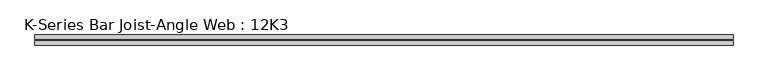
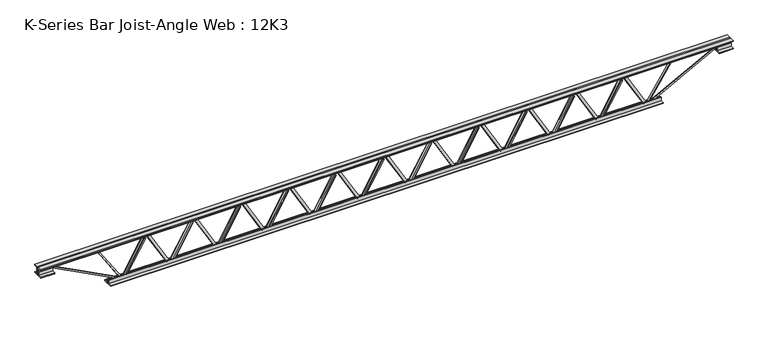
"""IFC4 building model written with IfcOpenShell, lengths in millimetres: beam geometry, K-Series Bar Joist-Angle Web : 12K3."""

from ifc_helpers import new_model, si_unit, frame, origin, place, context, project, spatial, polyline, outline, extrude, faceted_brep, source, transform, mapped, element, save


def k_series_bar_joist_angle_web_12k3_d4153218(model_context):
    return source(origin(), model_context, "Body", "SolidModel", [
        extrude(outline(polyline([(-4.7625, 4.7625), (-4.7625, 0.0), (-17.4625, 0.0), (-17.4625, 4.7625), (-4.7625, 4.7625)])), frame((1528.6309951, 0.0, -114.3), z_axis=(-0.498403815712741, 0.0, 0.866945001994348), x_axis=(0.0, -1.0, 0.0)), (0.0, 0.0, 1.0), 263.6845469),
        extrude(outline(polyline([(-149.225, 1560.5702273), (-130.175, 1560.5702273), (-130.175, 1559.7311924), (149.225, 1399.105056), (149.225, 1380.8940909), (130.175, 1380.8940909), (130.175, 1388.0831258), (-149.225, 1548.7092622), (-149.225, 1560.5702273)])), frame((0.0, 0.0, 0.0), z_axis=(0.0, 1.0, 0.0), x_axis=(0.0, 0.0, 1.0)), (0.0, 0.0, 1.0), 4.7625),
        faceted_brep([(1213.9179545, 0.0, -130.175), (1213.9179545, 0.0, -149.225), (1213.9179545, -4.7625, -149.225), (1213.9179545, -4.7625, -130.175), (1214.7569894, 0.0, -130.175), (1375.3831258, 0.0, 149.225), (1393.5940909, 0.0, 149.225), (1393.5940909, 0.0, 130.175), (1386.405056, 0.0, 130.175), (1225.7789197, 0.0, -149.225), (1225.7789197, -4.7625, -149.225), (1245.8571867, -4.7625, -114.3), (1241.7283611, -4.7625, -111.9263518), (1373.1497454, -4.7625, 116.6736482), (1377.278571, -4.7625, 114.3), (1386.405056, -4.7625, 130.175), (1393.5940909, -4.7625, 130.175), (1393.5940909, -4.7625, 149.225), (1375.3831258, -4.7625, 149.225), (1214.7569894, -4.7625, -130.175), (1377.278571, -17.4625, 114.3), (1245.8571867, -17.4625, -114.3), (1241.7283611, -17.4625, -111.9263518), (1373.1497454, -17.4625, 116.6736482)], [[[0, 1, 2, 3]], [[1, 0, 4, 5, 6, 7, 8, 9]], [[2, 1, 9, 10]], [[3, 2, 10, 11, 12, 13, 14, 15, 16, 17, 18, 19]], [[0, 3, 19, 4]], [[9, 8, 15, 14, 20, 21, 11, 10]], [[5, 4, 19, 18]], [[7, 6, 17, 16]], [[8, 7, 16, 15]], [[6, 5, 18, 17]], [[21, 22, 12, 11]], [[20, 14, 13, 23]], [[22, 21, 20, 23]], [[12, 22, 23, 13]]]),
        extrude(outline(polyline([(-4.7625, 4.7625), (-4.7625, 0.0), (-17.4625, 0.0), (-17.4625, 4.7625), (-4.7625, 4.7625)])), frame((1181.8199724, 0.0, -114.3), z_axis=(-0.498403815712741, 0.0, 0.866945001994348), x_axis=(0.0, -1.0, 0.0)), (0.0, 0.0, 1.0), 263.6845469),
        extrude(outline(polyline([(-149.225, 1213.7592045), (-130.175, 1213.7592045), (-130.175, 1212.9201697), (149.225, 1052.2940333), (149.225, 1034.0830682), (130.175, 1034.0830682), (130.175, 1041.2721031), (-149.225, 1201.8982394), (-149.225, 1213.7592045)])), frame((0.0, 0.0, 0.0), z_axis=(0.0, 1.0, 0.0), x_axis=(0.0, 0.0, 1.0)), (0.0, 0.0, 1.0), 4.7625),
        faceted_brep([(867.1069318, 0.0, -130.175), (867.1069318, 0.0, -149.225), (867.1069318, -4.7625, -149.225), (867.1069318, -4.7625, -130.175), (867.9459667, 0.0, -130.175), (1028.5721031, 0.0, 149.225), (1046.7830682, 0.0, 149.225), (1046.7830682, 0.0, 130.175), (1039.5940333, 0.0, 130.175), (878.9678969, 0.0, -149.225), (878.9678969, -4.7625, -149.225), (899.046164, -4.7625, -114.3), (894.9173384, -4.7625, -111.9263518), (1026.3387227, -4.7625, 116.6736482), (1030.4675483, -4.7625, 114.3), (1039.5940333, -4.7625, 130.175), (1046.7830682, -4.7625, 130.175), (1046.7830682, -4.7625, 149.225), (1028.5721031, -4.7625, 149.225), (867.9459667, -4.7625, -130.175), (1030.4675483, -17.4625, 114.3), (899.046164, -17.4625, -114.3), (894.9173384, -17.4625, -111.9263518), (1026.3387227, -17.4625, 116.6736482)], [[[0, 1, 2, 3]], [[1, 0, 4, 5, 6, 7, 8, 9]], [[2, 1, 9, 10]], [[3, 2, 10, 11, 12, 13, 14, 15, 16, 17, 18, 19]], [[0, 3, 19, 4]], [[9, 8, 15, 14, 20, 21, 11, 10]], [[5, 4, 19, 18]], [[7, 6, 17, 16]], [[8, 7, 16, 15]], [[6, 5, 18, 17]], [[21, 22, 12, 11]], [[20, 14, 13, 23]], [[22, 21, 20, 23]], [[12, 22, 23, 13]]]),
        extrude(outline(polyline([(-4.7625, 4.7625), (-4.7625, 0.0), (-17.4625, 0.0), (-17.4625, 4.7625), (-4.7625, 4.7625)])), frame((835.0089497, 0.0, -114.3), z_axis=(-0.498403815712741, 0.0, 0.866945001994348), x_axis=(0.0, -1.0, 0.0)), (0.0, 0.0, 1.0), 263.6845469),
        extrude(outline(polyline([(-149.225, 866.9481818), (-130.175, 866.9481818), (-130.175, 866.1091469), (149.225, 705.4830106), (149.225, 687.2720455), (130.175, 687.2720455), (130.175, 694.4610803), (-149.225, 855.0872167), (-149.225, 866.9481818)])), frame((0.0, 0.0, 0.0), z_axis=(0.0, 1.0, 0.0), x_axis=(0.0, 0.0, 1.0)), (0.0, 0.0, 1.0), 4.7625),
        faceted_brep([(520.2959091, 0.0, -130.175), (520.2959091, 0.0, -149.225), (520.2959091, -4.7625, -149.225), (520.2959091, -4.7625, -130.175), (521.134944, 0.0, -130.175), (681.7610803, 0.0, 149.225), (699.9720455, 0.0, 149.225), (699.9720455, 0.0, 130.175), (692.7830106, 0.0, 130.175), (532.1568742, 0.0, -149.225), (532.1568742, -4.7625, -149.225), (552.2351412, -4.7625, -114.3), (548.1063157, -4.7625, -111.9263518), (679.5277, -4.7625, 116.6736482), (683.6565255, -4.7625, 114.3), (692.7830106, -4.7625, 130.175), (699.9720455, -4.7625, 130.175), (699.9720455, -4.7625, 149.225), (681.7610803, -4.7625, 149.225), (521.134944, -4.7625, -130.175), (683.6565255, -17.4625, 114.3), (552.2351412, -17.4625, -114.3), (548.1063157, -17.4625, -111.9263518), (679.5277, -17.4625, 116.6736482)], [[[0, 1, 2, 3]], [[1, 0, 4, 5, 6, 7, 8, 9]], [[2, 1, 9, 10]], [[3, 2, 10, 11, 12, 13, 14, 15, 16, 17, 18, 19]], [[0, 3, 19, 4]], [[9, 8, 15, 14, 20, 21, 11, 10]], [[5, 4, 19, 18]], [[7, 6, 17, 16]], [[8, 7, 16, 15]], [[6, 5, 18, 17]], [[21, 22, 12, 11]], [[20, 14, 13, 23]], [[22, 21, 20, 23]], [[12, 22, 23, 13]]]),
        extrude(outline(polyline([(-4.7625, 4.7625), (-4.7625, 0.0), (-17.4625, 0.0), (-17.4625, 4.7625), (-4.7625, 4.7625)])), frame((488.1979269, 0.0, -114.3), z_axis=(-0.498403815712741, 0.0, 0.866945001994348), x_axis=(0.0, -1.0, 0.0)), (0.0, 0.0, 1.0), 263.6845469),
        extrude(outline(polyline([(-149.225, 520.1371591), (-130.175, 520.1371591), (-130.175, 519.2981242), (149.225, 358.6719878), (149.225, 340.4610227), (130.175, 340.4610227), (130.175, 347.6500576), (-149.225, 508.276194), (-149.225, 520.1371591)])), frame((0.0, 0.0, 0.0), z_axis=(0.0, 1.0, 0.0), x_axis=(0.0, 0.0, 1.0)), (0.0, 0.0, 1.0), 4.7625),
        faceted_brep([(173.4848864, 0.0, -130.175), (173.4848864, 0.0, -149.225), (173.4848864, -4.7625, -149.225), (173.4848864, -4.7625, -130.175), (174.3239213, 0.0, -130.175), (334.9500576, 0.0, 149.225), (353.1610227, 0.0, 149.225), (353.1610227, 0.0, 130.175), (345.9719878, 0.0, 130.175), (185.3458515, 0.0, -149.225), (185.3458515, -4.7625, -149.225), (205.4241185, -4.7625, -114.3), (201.2952929, -4.7625, -111.9263518), (332.7166772, -4.7625, 116.6736482), (336.8455028, -4.7625, 114.3), (345.9719878, -4.7625, 130.175), (353.1610227, -4.7625, 130.175), (353.1610227, -4.7625, 149.225), (334.9500576, -4.7625, 149.225), (174.3239213, -4.7625, -130.175), (336.8455028, -17.4625, 114.3), (205.4241185, -17.4625, -114.3), (201.2952929, -17.4625, -111.9263518), (332.7166772, -17.4625, 116.6736482)], [[[0, 1, 2, 3]], [[1, 0, 4, 5, 6, 7, 8, 9]], [[2, 1, 9, 10]], [[3, 2, 10, 11, 12, 13, 14, 15, 16, 17, 18, 19]], [[0, 3, 19, 4]], [[9, 8, 15, 14, 20, 21, 11, 10]], [[5, 4, 19, 18]], [[7, 6, 17, 16]], [[8, 7, 16, 15]], [[6, 5, 18, 17]], [[21, 22, 12, 11]], [[20, 14, 13, 23]], [[22, 21, 20, 23]], [[12, 22, 23, 13]]]),
        extrude(outline(polyline([(-4.7625, 4.7625), (-4.7625, 0.0), (-17.4625, 0.0), (-17.4625, 4.7625), (-4.7625, 4.7625)])), frame((141.3869042, 0.0, -114.3), z_axis=(-0.498403815712741, 0.0, 0.866945001994348), x_axis=(0.0, -1.0, 0.0)), (0.0, 0.0, 1.0), 263.6845469),
        extrude(outline(polyline([(-149.225, 173.3261364), (-130.175, 173.3261364), (-130.175, 172.4871015), (149.225, 11.8609651), (149.225, -6.35), (130.175, -6.35), (130.175, 0.8390349), (-149.225, 161.4651713), (-149.225, 173.3261364)])), frame((0.0, 0.0, 0.0), z_axis=(0.0, 1.0, 0.0), x_axis=(0.0, 0.0, 1.0)), (0.0, 0.0, 1.0), 4.7625),
        faceted_brep([(-173.3261364, 0.0, -130.175), (-173.3261364, 0.0, -149.225), (-173.3261364, -4.7625, -149.225), (-173.3261364, -4.7625, -130.175), (-172.4871015, 0.0, -130.175), (-11.8609651, 0.0, 149.225), (6.35, 0.0, 149.225), (6.35, 0.0, 130.175), (-0.8390349, 0.0, 130.175), (-161.4651713, 0.0, -149.225), (-161.4651713, -4.7625, -149.225), (-141.3869042, -4.7625, -114.3), (-145.5157298, -4.7625, -111.9263518), (-14.0943455, -4.7625, 116.6736482), (-9.9655199, -4.7625, 114.3), (-0.8390349, -4.7625, 130.175), (6.35, -4.7625, 130.175), (6.35, -4.7625, 149.225), (-11.8609651, -4.7625, 149.225), (-172.4871015, -4.7625, -130.175), (-9.9655199, -17.4625, 114.3), (-141.3869042, -17.4625, -114.3), (-145.5157298, -17.4625, -111.9263518), (-14.0943455, -17.4625, 116.6736482)], [[[0, 1, 2, 3]], [[1, 0, 4, 5, 6, 7, 8, 9]], [[2, 1, 9, 10]], [[3, 2, 10, 11, 12, 13, 14, 15, 16, 17, 18, 19]], [[0, 3, 19, 4]], [[9, 8, 15, 14, 20, 21, 11, 10]], [[5, 4, 19, 18]], [[7, 6, 17, 16]], [[8, 7, 16, 15]], [[6, 5, 18, 17]], [[21, 22, 12, 11]], [[20, 14, 13, 23]], [[22, 21, 20, 23]], [[12, 22, 23, 13]]]),
        extrude(outline(polyline([(-4.7625, 4.7625), (-4.7625, 0.0), (-17.4625, 0.0), (-17.4625, 4.7625), (-4.7625, 4.7625)])), frame((-205.4241185, 0.0, -114.3), z_axis=(-0.498403815712741, 0.0, 0.866945001994348), x_axis=(0.0, -1.0, 0.0)), (0.0, 0.0, 1.0), 263.6845469),
        extrude(outline(polyline([(-149.225, -173.4848864), (-130.175, -173.4848864), (-130.175, -174.3239213), (149.225, -334.9500576), (149.225, -353.1610227), (130.175, -353.1610227), (130.175, -345.9719878), (-149.225, -185.3458515), (-149.225, -173.4848864)])), frame((0.0, 0.0, 0.0), z_axis=(0.0, 1.0, 0.0), x_axis=(0.0, 0.0, 1.0)), (0.0, 0.0, 1.0), 4.7625),
        faceted_brep([(-520.1371591, 0.0, -130.175), (-520.1371591, 0.0, -149.225), (-520.1371591, -4.7625, -149.225), (-520.1371591, -4.7625, -130.175), (-519.2981242, 0.0, -130.175), (-358.6719878, 0.0, 149.225), (-340.4610227, 0.0, 149.225), (-340.4610227, 0.0, 130.175), (-347.6500576, 0.0, 130.175), (-508.276194, 0.0, -149.225), (-508.276194, -4.7625, -149.225), (-488.1979269, -4.7625, -114.3), (-492.3267525, -4.7625, -111.9263518), (-360.9053682, -4.7625, 116.6736482), (-356.7765426, -4.7625, 114.3), (-347.6500576, -4.7625, 130.175), (-340.4610227, -4.7625, 130.175), (-340.4610227, -4.7625, 149.225), (-358.6719878, -4.7625, 149.225), (-519.2981242, -4.7625, -130.175), (-356.7765426, -17.4625, 114.3), (-488.1979269, -17.4625, -114.3), (-492.3267525, -17.4625, -111.9263518), (-360.9053682, -17.4625, 116.6736482)], [[[0, 1, 2, 3]], [[1, 0, 4, 5, 6, 7, 8, 9]], [[2, 1, 9, 10]], [[3, 2, 10, 11, 12, 13, 14, 15, 16, 17, 18, 19]], [[0, 3, 19, 4]], [[9, 8, 15, 14, 20, 21, 11, 10]], [[5, 4, 19, 18]], [[7, 6, 17, 16]], [[8, 7, 16, 15]], [[6, 5, 18, 17]], [[21, 22, 12, 11]], [[20, 14, 13, 23]], [[22, 21, 20, 23]], [[12, 22, 23, 13]]]),
        extrude(outline(polyline([(-4.7625, 4.7625), (-4.7625, 0.0), (-17.4625, 0.0), (-17.4625, 4.7625), (-4.7625, 4.7625)])), frame((-552.2351412, 0.0, -114.3), z_axis=(-0.498403815712741, 0.0, 0.866945001994348), x_axis=(0.0, -1.0, 0.0)), (0.0, 0.0, 1.0), 263.6845469),
        extrude(outline(polyline([(-149.225, -520.2959091), (-130.175, -520.2959091), (-130.175, -521.134944), (149.225, -681.7610803), (149.225, -699.9720455), (130.175, -699.9720455), (130.175, -692.7830106), (-149.225, -532.1568742), (-149.225, -520.2959091)])), frame((0.0, 0.0, 0.0), z_axis=(0.0, 1.0, 0.0), x_axis=(0.0, 0.0, 1.0)), (0.0, 0.0, 1.0), 4.7625),
        faceted_brep([(-866.9481818, 0.0, -130.175), (-866.9481818, 0.0, -149.225), (-866.9481818, -4.7625, -149.225), (-866.9481818, -4.7625, -130.175), (-866.1091469, 0.0, -130.175), (-705.4830106, 0.0, 149.225), (-687.2720455, 0.0, 149.225), (-687.2720455, 0.0, 130.175), (-694.4610803, 0.0, 130.175), (-855.0872167, 0.0, -149.225), (-855.0872167, -4.7625, -149.225), (-835.0089497, -4.7625, -114.3), (-839.1377752, -4.7625, -111.9263518), (-707.7163909, -4.7625, 116.6736482), (-703.5875654, -4.7625, 114.3), (-694.4610803, -4.7625, 130.175), (-687.2720455, -4.7625, 130.175), (-687.2720455, -4.7625, 149.225), (-705.4830106, -4.7625, 149.225), (-866.1091469, -4.7625, -130.175), (-703.5875654, -17.4625, 114.3), (-835.0089497, -17.4625, -114.3), (-839.1377752, -17.4625, -111.9263518), (-707.7163909, -17.4625, 116.6736482)], [[[0, 1, 2, 3]], [[1, 0, 4, 5, 6, 7, 8, 9]], [[2, 1, 9, 10]], [[3, 2, 10, 11, 12, 13, 14, 15, 16, 17, 18, 19]], [[0, 3, 19, 4]], [[9, 8, 15, 14, 20, 21, 11, 10]], [[5, 4, 19, 18]], [[7, 6, 17, 16]], [[8, 7, 16, 15]], [[6, 5, 18, 17]], [[21, 22, 12, 11]], [[20, 14, 13, 23]], [[22, 21, 20, 23]], [[12, 22, 23, 13]]]),
        extrude(outline(polyline([(-4.7625, 4.7625), (-4.7625, 0.0), (-17.4625, 0.0), (-17.4625, 4.7625), (-4.7625, 4.7625)])), frame((-899.046164, 0.0, -114.3), z_axis=(-0.498403815712741, 0.0, 0.866945001994348), x_axis=(0.0, -1.0, 0.0)), (0.0, 0.0, 1.0), 263.6845469),
        extrude(outline(polyline([(-149.225, -867.1069318), (-130.175, -867.1069318), (-130.175, -867.9459667), (149.225, -1028.5721031), (149.225, -1046.7830682), (130.175, -1046.7830682), (130.175, -1039.5940333), (-149.225, -878.9678969), (-149.225, -867.1069318)])), frame((0.0, 0.0, 0.0), z_axis=(0.0, 1.0, 0.0), x_axis=(0.0, 0.0, 1.0)), (0.0, 0.0, 1.0), 4.7625),
        faceted_brep([(-1213.7592045, 0.0, -130.175), (-1213.7592045, 0.0, -149.225), (-1213.7592045, -4.7625, -149.225), (-1213.7592045, -4.7625, -130.175), (-1212.9201697, 0.0, -130.175), (-1052.2940333, 0.0, 149.225), (-1034.0830682, 0.0, 149.225), (-1034.0830682, 0.0, 130.175), (-1041.2721031, 0.0, 130.175), (-1201.8982394, 0.0, -149.225), (-1201.8982394, -4.7625, -149.225), (-1181.8199724, -4.7625, -114.3), (-1185.948798, -4.7625, -111.9263518), (-1054.5274137, -4.7625, 116.6736482), (-1050.3985881, -4.7625, 114.3), (-1041.2721031, -4.7625, 130.175), (-1034.0830682, -4.7625, 130.175), (-1034.0830682, -4.7625, 149.225), (-1052.2940333, -4.7625, 149.225), (-1212.9201697, -4.7625, -130.175), (-1050.3985881, -17.4625, 114.3), (-1181.8199724, -17.4625, -114.3), (-1185.948798, -17.4625, -111.9263518), (-1054.5274137, -17.4625, 116.6736482)], [[[0, 1, 2, 3]], [[1, 0, 4, 5, 6, 7, 8, 9]], [[2, 1, 9, 10]], [[3, 2, 10, 11, 12, 13, 14, 15, 16, 17, 18, 19]], [[0, 3, 19, 4]], [[9, 8, 15, 14, 20, 21, 11, 10]], [[5, 4, 19, 18]], [[7, 6, 17, 16]], [[8, 7, 16, 15]], [[6, 5, 18, 17]], [[21, 22, 12, 11]], [[20, 14, 13, 23]], [[22, 21, 20, 23]], [[12, 22, 23, 13]]]),
        extrude(outline(polyline([(-4.7625, 4.7625), (-4.7625, 0.0), (-17.4625, 0.0), (-17.4625, 4.7625), (-4.7625, 4.7625)])), frame((-1245.8571867, 0.0, -114.3), z_axis=(-0.498403815712741, 0.0, 0.866945001994348), x_axis=(0.0, -1.0, 0.0)), (0.0, 0.0, 1.0), 263.6845469),
        extrude(outline(polyline([(-149.225, -1213.9179545), (-130.175, -1213.9179545), (-130.175, -1214.7569894), (149.225, -1375.3831258), (149.225, -1393.5940909), (130.175, -1393.5940909), (130.175, -1386.405056), (-149.225, -1225.7789197), (-149.225, -1213.9179545)])), frame((0.0, 0.0, 0.0), z_axis=(0.0, 1.0, 0.0), x_axis=(0.0, 0.0, 1.0)), (0.0, 0.0, 1.0), 4.7625),
        faceted_brep([(-1560.5702273, 0.0, -130.175), (-1560.5702273, 0.0, -149.225), (-1560.5702273, -4.7625, -149.225), (-1560.5702273, -4.7625, -130.175), (-1559.7311924, 0.0, -130.175), (-1399.105056, 0.0, 149.225), (-1380.8940909, 0.0, 149.225), (-1380.8940909, 0.0, 130.175), (-1388.0831258, 0.0, 130.175), (-1548.7092622, 0.0, -149.225), (-1548.7092622, -4.7625, -149.225), (-1528.6309951, -4.7625, -114.3), (-1532.7598207, -4.7625, -111.9263518), (-1401.3384364, -4.7625, 116.6736482), (-1397.2096108, -4.7625, 114.3), (-1388.0831258, -4.7625, 130.175), (-1380.8940909, -4.7625, 130.175), (-1380.8940909, -4.7625, 149.225), (-1399.105056, -4.7625, 149.225), (-1559.7311924, -4.7625, -130.175), (-1397.2096108, -17.4625, 114.3), (-1528.6309951, -17.4625, -114.3), (-1532.7598207, -17.4625, -111.9263518), (-1401.3384364, -17.4625, 116.6736482)], [[[0, 1, 2, 3]], [[1, 0, 4, 5, 6, 7, 8, 9]], [[2, 1, 9, 10]], [[3, 2, 10, 11, 12, 13, 14, 15, 16, 17, 18, 19]], [[0, 3, 19, 4]], [[9, 8, 15, 14, 20, 21, 11, 10]], [[5, 4, 19, 18]], [[7, 6, 17, 16]], [[8, 7, 16, 15]], [[6, 5, 18, 17]], [[21, 22, 12, 11]], [[20, 14, 13, 23]], [[22, 21, 20, 23]], [[12, 22, 23, 13]]]),
        extrude(outline(polyline([(-4.7625, 4.7625), (-4.7625, 0.0), (-17.4625, 0.0), (-17.4625, 4.7625), (-4.7625, 4.7625)])), frame((1875.4420178, 0.0, -114.3), z_axis=(-0.498403815712741, 0.0, 0.866945001994348), x_axis=(0.0, -1.0, 0.0)), (0.0, 0.0, 1.0), 263.6845469),
        extrude(outline(polyline([(-149.225, 1907.38125), (-130.175, 1907.38125), (-130.175, 1906.5422151), (149.225, 1745.9160787), (149.225, 1727.7051136), (130.175, 1727.7051136), (130.175, 1734.8941485), (-149.225, 1895.5202849), (-149.225, 1907.38125)])), frame((0.0, 0.0, 0.0), z_axis=(0.0, 1.0, 0.0), x_axis=(0.0, 0.0, 1.0)), (0.0, 0.0, 1.0), 4.7625),
        faceted_brep([(1560.7289773, 0.0, -130.175), (1560.7289773, 0.0, -149.225), (1560.7289773, -4.7625, -149.225), (1560.7289773, -4.7625, -130.175), (1561.5680122, 0.0, -130.175), (1722.1941485, 0.0, 149.225), (1740.4051136, 0.0, 149.225), (1740.4051136, 0.0, 130.175), (1733.2160787, 0.0, 130.175), (1572.5899424, 0.0, -149.225), (1572.5899424, -4.7625, -149.225), (1592.6682094, -4.7625, -114.3), (1588.5393839, -4.7625, -111.9263518), (1719.9607682, -4.7625, 116.6736482), (1724.0895937, -4.7625, 114.3), (1733.2160787, -4.7625, 130.175), (1740.4051136, -4.7625, 130.175), (1740.4051136, -4.7625, 149.225), (1722.1941485, -4.7625, 149.225), (1561.5680122, -4.7625, -130.175), (1724.0895937, -17.4625, 114.3), (1592.6682094, -17.4625, -114.3), (1588.5393839, -17.4625, -111.9263518), (1719.9607682, -17.4625, 116.6736482)], [[[0, 1, 2, 3]], [[1, 0, 4, 5, 6, 7, 8, 9]], [[2, 1, 9, 10]], [[3, 2, 10, 11, 12, 13, 14, 15, 16, 17, 18, 19]], [[0, 3, 19, 4]], [[9, 8, 15, 14, 20, 21, 11, 10]], [[5, 4, 19, 18]], [[7, 6, 17, 16]], [[8, 7, 16, 15]], [[6, 5, 18, 17]], [[21, 22, 12, 11]], [[20, 14, 13, 23]], [[22, 21, 20, 23]], [[12, 22, 23, 13]]]),
        extrude(outline(polyline([(-4.7625, 4.7625), (-4.7625, 0.0), (-17.4625, 0.0), (-17.4625, 4.7625), (-4.7625, 4.7625)])), frame((-1592.6682094, 0.0, -114.3), z_axis=(-0.498403815712741, 0.0, 0.866945001994348), x_axis=(0.0, -1.0, 0.0)), (0.0, 0.0, 1.0), 263.6845469),
        extrude(outline(polyline([(-149.225, -1560.7289773), (-130.175, -1560.7289773), (-130.175, -1561.5680122), (149.225, -1722.1941485), (149.225, -1740.4051136), (130.175, -1740.4051136), (130.175, -1733.2160787), (-149.225, -1572.5899424), (-149.225, -1560.7289773)])), frame((0.0, 0.0, 0.0), z_axis=(0.0, 1.0, 0.0), x_axis=(0.0, 0.0, 1.0)), (0.0, 0.0, 1.0), 4.7625),
        faceted_brep([(-1907.38125, 0.0, -130.175), (-1907.38125, 0.0, -149.225), (-1907.38125, -4.7625, -149.225), (-1907.38125, -4.7625, -130.175), (-1906.5422151, 0.0, -130.175), (-1745.9160787, 0.0, 149.225), (-1727.7051136, 0.0, 149.225), (-1727.7051136, 0.0, 130.175), (-1734.8941485, 0.0, 130.175), (-1895.5202849, 0.0, -149.225), (-1895.5202849, -4.7625, -149.225), (-1875.4420178, -4.7625, -114.3), (-1879.5708434, -4.7625, -111.9263518), (-1748.1494591, -4.7625, 116.6736482), (-1744.0206336, -4.7625, 114.3), (-1734.8941485, -4.7625, 130.175), (-1727.7051136, -4.7625, 130.175), (-1727.7051136, -4.7625, 149.225), (-1745.9160787, -4.7625, 149.225), (-1906.5422151, -4.7625, -130.175), (-1744.0206336, -17.4625, 114.3), (-1875.4420178, -17.4625, -114.3), (-1879.5708434, -17.4625, -111.9263518), (-1748.1494591, -17.4625, 116.6736482)], [[[0, 1, 2, 3]], [[1, 0, 4, 5, 6, 7, 8, 9]], [[2, 1, 9, 10]], [[3, 2, 10, 11, 12, 13, 14, 15, 16, 17, 18, 19]], [[0, 3, 19, 4]], [[9, 8, 15, 14, 20, 21, 11, 10]], [[5, 4, 19, 18]], [[7, 6, 17, 16]], [[8, 7, 16, 15]], [[6, 5, 18, 17]], [[21, 22, 12, 11]], [[20, 14, 13, 23]], [[22, 21, 20, 23]], [[12, 22, 23, 13]]]),
        extrude(outline(polyline([(4.7625, 152.4), (36.5125, 152.4), (36.5125, 146.05), (11.1125, 146.05), (11.1125, 120.65), (4.7625, 120.65), (4.7625, 152.4)])), frame((-2516.98125, 0.0, 0.0), z_axis=(1.0, 0.0, 0.0), x_axis=(0.0, 1.0, 0.0)), (0.0, 0.0, 1.0), 5033.9625),
        extrude(outline(polyline([(-4.7625, 152.4), (-4.7625, 120.65), (-11.1125, 120.65), (-11.1125, 146.05), (-36.5125, 146.05), (-36.5125, 152.4), (-4.7625, 152.4)])), frame((-2516.98125, 0.0, 0.0), z_axis=(1.0, 0.0, 0.0), x_axis=(0.0, 1.0, 0.0)), (0.0, 0.0, 1.0), 5033.9625),
        extrude(outline(polyline([(-4.7625, 88.9), (-36.5125, 88.9), (-36.5125, 95.25), (-11.1125, 95.25), (-11.1125, 120.65), (-4.7625, 120.65), (-4.7625, 88.9)])), frame((-2516.98125, 0.0, 0.0), z_axis=(1.0, 0.0, 0.0), x_axis=(0.0, 1.0, 0.0)), (0.0, 0.0, 1.0), 101.6),
        extrude(outline(polyline([(36.5125, 88.9), (4.7625, 88.9), (4.7625, 120.65), (11.1125, 120.65), (11.1125, 95.25), (36.5125, 95.25), (36.5125, 88.9)])), frame((-2516.98125, 0.0, 0.0), z_axis=(1.0, 0.0, 0.0), x_axis=(0.0, 1.0, 0.0)), (0.0, 0.0, 1.0), 101.6),
        extrude(outline(polyline([(4.7625, 88.9), (4.7625, 120.65), (11.1125, 120.65), (11.1125, 95.25), (36.5125, 95.25), (36.5125, 88.9), (4.7625, 88.9)])), frame((2415.38125, 0.0, 0.0), z_axis=(1.0, 0.0, 0.0), x_axis=(0.0, 1.0, 0.0)), (0.0, 0.0, 1.0), 101.6),
        extrude(outline(polyline([(-4.7625, 88.9), (-36.5125, 88.9), (-36.5125, 95.25), (-11.1125, 95.25), (-11.1125, 120.65), (-4.7625, 120.65), (-4.7625, 88.9)])), frame((2415.38125, 0.0, 0.0), z_axis=(1.0, 0.0, 0.0), x_axis=(0.0, 1.0, 0.0)), (0.0, 0.0, 1.0), 101.6),
        extrude(outline(polyline([(4.7625, -152.4), (4.7625, -120.65), (11.1125, -120.65), (11.1125, -146.05), (36.5125, -146.05), (36.5125, -152.4), (4.7625, -152.4)])), frame((-2008.98125, 0.0, 0.0), z_axis=(1.0, 0.0, 0.0), x_axis=(0.0, 1.0, 0.0)), (0.0, 0.0, 1.0), 4017.9625),
        extrude(outline(polyline([(-4.7625, -152.4), (-36.5125, -152.4), (-36.5125, -146.05), (-11.1125, -146.05), (-11.1125, -120.65), (-4.7625, -120.65), (-4.7625, -152.4)])), frame((-2008.98125, 0.0, 0.0), z_axis=(1.0, 0.0, 0.0), x_axis=(0.0, 1.0, 0.0)), (0.0, 0.0, 1.0), 4017.9625),
        extrude(outline(polyline([(4.7625, 4.7625), (4.7625, -4.7625), (-4.7625, -4.7625), (-4.7625, 4.7625), (4.7625, 4.7625)])), frame((1907.38125, 0.0, -146.05), z_axis=(0.5449245563026819, 0.0, 0.8384850791387556), x_axis=(0.0, -1.0, 0.0)), (0.0, 0.0, 1.0), 318.0736386),
        extrude(outline(polyline([(4.7625, 4.7625), (4.7625, -4.7625), (-4.7625, -4.7625), (-4.7625, 4.7625), (4.7625, 4.7625)])), frame((-1907.38125, 0.0, -146.05), z_axis=(-0.544924556302642, 0.0, 0.8384850791387817), x_axis=(0.0, -1.0, 0.0)), (0.0, 0.0, 1.0), 318.0736386),
        extrude(outline(polyline([(0.0, -9.525), (0.0, 0.0), (573.7533355, 0.0), (573.7533355, -9.525), (0.0, -9.525)])), frame((2417.5950214, -4.7625, 116.4332925), z_axis=(-0.4648338989893244, 0.0, 0.8853979028382565), x_axis=(-0.8853979028382565, 0.0, -0.4648338989893244)), (0.0, 0.0, 1.0), 9.525),
        extrude(outline(polyline([(0.0, -9.525), (0.0, 0.0), (573.7533355, 0.0), (573.7533355, -9.525), (0.0, -9.525)])), frame((-2417.5950214, 4.7625, 116.4332925), z_axis=(0.4648338989893208, 0.0, 0.8853979028382584), x_axis=(0.8853979028382584, 0.0, -0.4648338989893208)), (0.0, 0.0, 1.0), 9.525),
    ])


if __name__ == "__main__":
    model = new_model("IFC4")
    model_context = context("Model", 3, world=origin())
    ifc_project = project(units=[si_unit("LENGTHUNIT", "METRE", prefix="MILLI")], contexts=[model_context])
    site = spatial("IfcSite", under=ifc_project)
    building = spatial("IfcBuilding", under=site)
    placement = place(None, origin())
    k_series_bar_joist_angle_web_12k3_shape = k_series_bar_joist_angle_web_12k3_d4153218(model_context)
    element("IfcBeam", 1, ObjectType="K-Series Bar Joist-Angle Web : 12K3", at=placement, inside=building, context=model_context, shape_type="MappedRepresentation", body=[
        mapped(k_series_bar_joist_angle_web_12k3_shape, transform((0.0, 0.0, 0.0), x_axis=(1.0, 0.0, 0.0), y_axis=(0.0, 1.0, 0.0), z_axis=(0.0, 0.0, 1.0))),
    ])
    save(model, "model.ifc")
